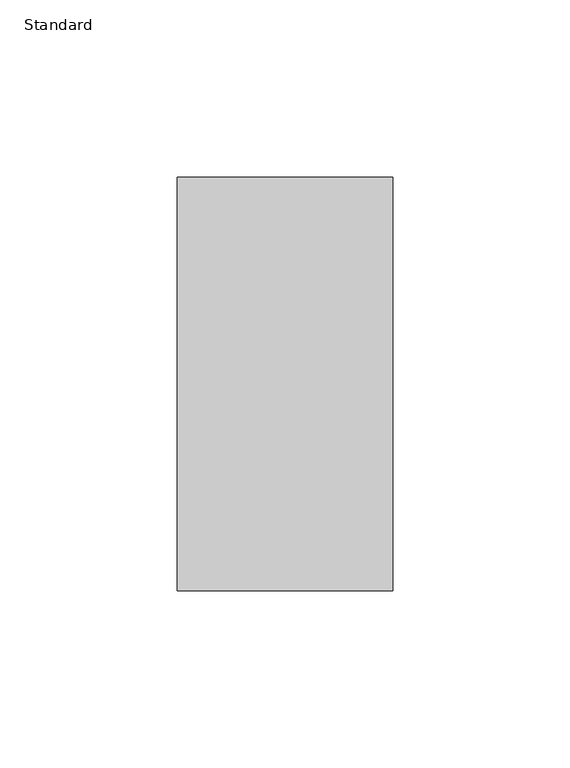
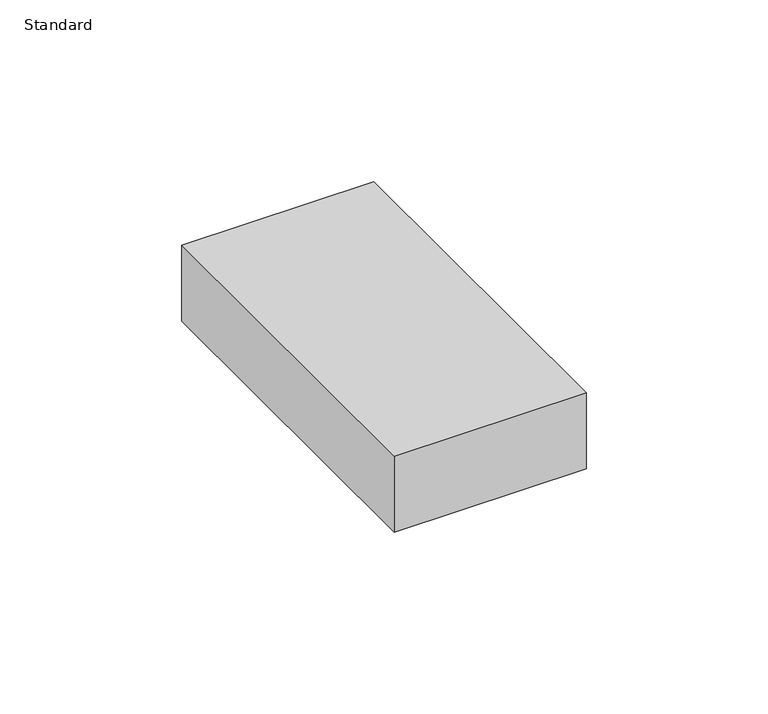
"""IFC4 building model written with IfcOpenShell, lengths in millimetres: proxy geometry, Standard."""

from ifc_helpers import new_model, si_unit, origin, origin_with_axes, place, context, project, spatial, polyline, outline, extrude, source, transform, mapped, element, save


def standard_f1e87d9f(model_context):
    return source(origin(), model_context, "Body", "SweptSolid", [
        extrude(outline(polyline([(30.4601563, 0.0), (30.4601563, -116.8796875), (-30.4601562, -116.8796875), (-30.4601562, 0.0), (30.4601563, 0.0)])), origin_with_axes(), (0.0, 0.0, 1.0), 25.4),
    ])


if __name__ == "__main__":
    model = new_model("IFC4")
    model_context = context("Model", 3, world=origin())
    ifc_project = project(units=[si_unit("LENGTHUNIT", "METRE", prefix="MILLI")], contexts=[model_context])
    site = spatial("IfcSite", under=ifc_project)
    building = spatial("IfcBuilding", under=site)
    placement = place(None, origin())
    standard_shape = standard_f1e87d9f(model_context)
    element("IfcBuildingElementProxy", 1, Name="Standard", ObjectType="Standard", at=placement, inside=building, context=model_context, shape_type="MappedRepresentation", body=[
        mapped(standard_shape, transform((0.0, 0.0, 0.0), x_axis=(1.0, 0.0, 0.0), y_axis=(0.0, 1.0, 0.0), z_axis=(0.0, 0.0, 1.0))),
    ])
    save(model, "model.ifc")
